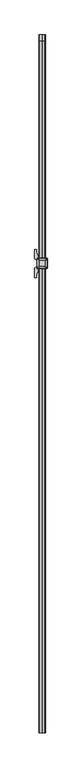
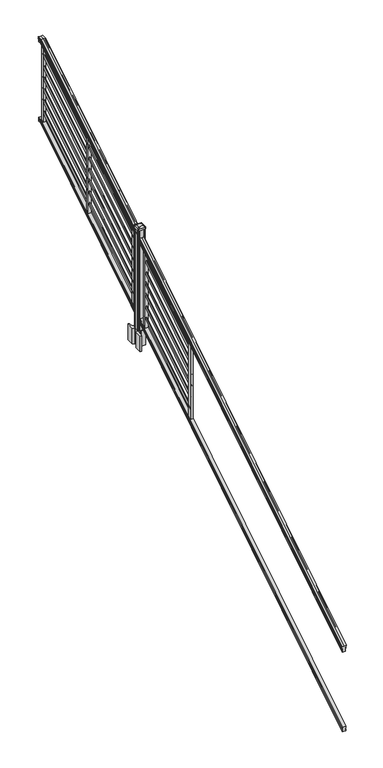
"""IFC4 building model written with IfcOpenShell, lengths in millimetres: railing geometry."""

from ifc_helpers import new_model, si_unit, point, frame, frame_2d, origin, origin_2d, place, context, project, spatial, polyline, circle_curve, ellipse_curve, trimmed, segment, composite_curve, outline, extrude, faceted_brep, source, transform, mapped, element, save
from ifc_brep_helpers import plane_surface, cylinder_surface, revolved_surface, extruded_surface, advanced_brep


def railing_1a496d7f(model_context):
    return source(origin(), model_context, "Body", "SolidModel", [
        advanced_brep(
        [(6977.4704765, -142728.8628453, 1117.9670492), (6977.4704765, -142728.8628453, 1120.1935658), (6978.6006628, -142728.8628453, 1122.0358543), (6978.6006628, -142728.8628453, 1130.5476358), (6977.9514064, -142728.8628453, 1133.4172588), (6980.4514064, -142728.8628453, 1138.5235509), (6981.8607489, -142728.8628453, 1140.5042021), (6982.2626479, -142728.8628453, 1141.8069579), (6982.2626478, -142728.8628453, 1143.3874846), (6980.7092005, -142728.8628453, 1145.2193836), (6960.0376478, -142728.8628453, 1145.2193836), (6939.366095, -142728.8628453, 1145.2193836), (6937.8126478, -142728.8628453, 1143.3874846), (6937.8126478, -142728.8628453, 1141.8069579), (6938.2145467, -142728.8628453, 1140.5042021), (6939.6238891, -142728.8628453, 1138.5235509), (6942.1238891, -142728.8628453, 1133.4172588), (6941.4746327, -142728.8628453, 1130.5476358), (6941.4746327, -142728.8628453, 1122.0358543), (6942.604819, -142728.8628453, 1120.1935658), (6942.604819, -142728.8628453, 1117.9670492), (6945.1786478, -142728.8628453, 1117.9670492), (6945.1786478, -142728.8628453, 1105.585537), (6944.1626478, -142728.8628453, 1104.3874214), (6944.1626478, -142728.8628453, 1089.66), (6975.9126478, -142728.8628453, 1089.66), (6975.9126478, -142728.8628453, 1104.201318), (6974.8966478, -142728.8628453, 1105.3994336), (6974.8966478, -142728.8628453, 1117.9670492), (6977.4704765, -137852.0628453, 4142.6143297), (6974.8966478, -137852.0628453, 4142.6143297), (6974.8966478, -137852.0628453, 4131.957013), (6975.9126478, -137852.0628453, 4130.941013), (6975.9126478, -137852.0628453, 4118.61), (6944.1626478, -137852.0628453, 4118.61), (6944.1626478, -137852.0628453, 4131.0988283), (6945.1786478, -137852.0628453, 4132.1148283), (6945.1786478, -137852.0628453, 4142.6143297), (6942.604819, -137852.0628453, 4142.6143297), (6942.604819, -137852.0628453, 4144.502412), (6941.4746327, -137852.0628453, 4146.0646695), (6941.4746327, -137852.0628453, 4153.2826458), (6942.1238891, -137852.0628453, 4155.7160812), (6939.6238891, -137852.0628453, 4160.0462082), (6938.2145467, -137852.0628453, 4161.7257972), (6937.8126477, -137852.0628453, 4162.8305318), (6937.8126478, -137852.0628453, 4164.1708158), (6939.366095, -137852.0628453, 4165.724263), (6960.0376478, -137852.0628453, 4165.724263), (6980.7092005, -137852.0628453, 4165.724263), (6982.2626478, -137852.0628453, 4164.1708158), (6982.2626478, -137852.0628453, 4162.8305318), (6981.8607489, -137852.0628453, 4161.7257972), (6980.4514064, -137852.0628453, 4160.0462082), (6977.9514064, -137852.0628453, 4155.7160812), (6978.6006628, -137852.0628453, 4153.2826458), (6978.6006628, -137852.0628453, 4146.0646695), (6977.4704765, -137852.0628453, 4144.502412), (6974.8966478, -137889.4271965, 4142.6143297), (6977.4704765, -137889.4271965, 4142.6143297), (6974.8966478, -137886.3707182, 4131.957013), (6975.9126478, -137886.0793333, 4130.941013), (6975.9126478, -137882.5428453, 4118.61), (6944.1626478, -137882.5428453, 4118.61), (6944.1626478, -137886.1245941, 4131.0988283), (6945.1786478, -137886.4159791, 4132.1148283), (6945.1786478, -137889.4271965, 4142.6143297), (6942.604819, -137889.4271965, 4142.6143297), (6942.604819, -137889.9686913, 4144.502412), (6941.4746327, -137890.4167409, 4146.0646695), (6941.4746327, -137892.4868293, 4153.2826458), (6942.1238891, -137893.1847294, 4155.7160812), (6939.6238891, -137894.4265935, 4160.0462082), (6938.2145467, -137894.9082932, 4161.7257972), (6937.8126477, -137895.2251269, 4162.8305318), (6937.8126478, -137895.6095153, 4164.1708158), (6939.366095, -137896.0550381, 4165.724263), (6960.0376478, -137896.0550381, 4165.724263), (6980.7092005, -137896.0550381, 4165.724263), (6982.2626478, -137895.6095153, 4164.1708158), (6982.2626478, -137895.2251269, 4162.8305318), (6981.8607489, -137894.9082932, 4161.7257972), (6980.4514064, -137894.4265935, 4160.0462082), (6977.9514064, -137893.1847294, 4155.7160812), (6978.6006628, -137892.4868293, 4153.2826458), (6978.6006628, -137890.4167409, 4146.0646695), (6977.4704765, -137889.9686913, 4144.502412)],
        [
            (0, 1),
            (1, 2, ellipse_curve(frame((6971.1557232, -142728.8628453, 1126.9839405), z_axis=(0.0, -1.0, 0.0), x_axis=(0.0, 0.0, -1.0)), 10.0777926, 8.545951)),
            (2, 3, ellipse_curve(frame((6971.5927862, -142728.8628453, 1126.2917451), z_axis=(0.0, -1.0, 0.0), x_axis=(0.0, 0.0, -1.0)), 9.2955186, 7.882584)),
            (3, 4, ellipse_curve(frame((6982.1061103, -142728.8628453, 1133.1875077), z_axis=(0.0, 1.0, 0.0), x_axis=(0.0, 0.0, 1.0)), 4.9048088, 4.1592695)),
            (4, 5, ellipse_curve(frame((6983.3934169, -142728.8628453, 1133.1163208), z_axis=(0.0, 1.0, 0.0), x_axis=(0.0, 0.0, 1.0)), 6.4245301, 5.4479907)),
            (5, 6, ellipse_curve(frame((6982.1602584, -142728.8628453, 1138.5202333), z_axis=(0.0, 1.0, 0.0), x_axis=(0.0, 0.0, 1.0)), 2.0151625, 1.7088543)),
            (6, 7, ellipse_curve(frame((6980.5433583, -142728.8628453, 1141.8069579), z_axis=(0.0, -1.0, 0.0), x_axis=(0.0, 0.0, -1.0)), 2.0274681, 1.7192895)),
            (7, 8),
            (8, 9, ellipse_curve(frame((6980.7092005, -142728.8628453, 1143.3874846), z_axis=(0.0, -1.0, 0.0), x_axis=(0.0, 0.0, -1.0)), 1.831899, 1.5534472)),
            (9, 10),
            (10, 11),
            (11, 12, ellipse_curve(frame((6939.366095, -142728.8628453, 1143.3874846), z_axis=(0.0, -1.0, 0.0), x_axis=(0.0, 0.0, -1.0)), 1.831899, 1.5534472)),
            (12, 13),
            (13, 14, ellipse_curve(frame((6939.5319372, -142728.8628453, 1141.8069579), z_axis=(0.0, -1.0, 0.0), x_axis=(0.0, 0.0, -1.0)), 2.0274681, 1.7192895)),
            (14, 15, ellipse_curve(frame((6937.9150371, -142728.8628453, 1138.5202333), z_axis=(0.0, 1.0, 0.0), x_axis=(0.0, 0.0, 1.0)), 2.0151625, 1.7088543)),
            (15, 16, ellipse_curve(frame((6936.6818787, -142728.8628453, 1133.1163208), z_axis=(0.0, 1.0, 0.0), x_axis=(0.0, 0.0, 1.0)), 6.4245301, 5.4479907)),
            (16, 17, ellipse_curve(frame((6937.9691852, -142728.8628453, 1133.1875077), z_axis=(0.0, 1.0, 0.0), x_axis=(0.0, 0.0, 1.0)), 4.9048088, 4.1592695)),
            (17, 18, ellipse_curve(frame((6948.4825093, -142728.8628453, 1126.2917451), z_axis=(0.0, -1.0, 0.0), x_axis=(0.0, 0.0, -1.0)), 9.2955186, 7.882584)),
            (18, 19, ellipse_curve(frame((6948.9195723, -142728.8628453, 1126.9839405), z_axis=(0.0, -1.0, 0.0), x_axis=(0.0, 0.0, -1.0)), 10.0777926, 8.545951)),
            (19, 20),
            (20, 21, ellipse_curve(frame((6943.8917334, -142728.8628453, 1117.9670492), z_axis=(0.0, -1.0, 0.0), x_axis=(0.0, 0.0, -1.0)), 1.5175907, 1.2869144)),
            (21, 22),
            (22, 23),
            (23, 24),
            (24, 25),
            (25, 26),
            (26, 27),
            (27, 28),
            (28, 0, ellipse_curve(frame((6976.1835621, -142728.8628453, 1117.9670492), z_axis=(0.0, -1.0, 0.0), x_axis=(0.0, 0.0, -1.0)), 1.5175907, 1.2869144)),
            (29, 30, circle_curve(frame((6976.1835621, -137852.0628453, 4142.6143297), z_axis=(0.0, 1.0, 0.0), x_axis=(-1.0, 0.0, 0.0)), 1.2869144)),
            (30, 31),
            (31, 32),
            (32, 33),
            (33, 34),
            (34, 35),
            (35, 36),
            (36, 37),
            (37, 38, circle_curve(frame((6943.8917334, -137852.0628453, 4142.6143297), z_axis=(0.0, 1.0, 0.0), x_axis=(1.0, 0.0, 0.0)), 1.2869144)),
            (38, 39),
            (39, 40, circle_curve(frame((6948.9195723, -137852.0628453, 4150.2606383), z_axis=(0.0, 1.0, 0.0), x_axis=(1.0, 0.0, 0.0)), 8.545951)),
            (40, 41, circle_curve(frame((6948.4825093, -137852.0628453, 4149.6736577), z_axis=(0.0, 1.0, 0.0), x_axis=(1.0, 0.0, 0.0)), 7.882584)),
            (41, 42, circle_curve(frame((6937.9691852, -137852.0628453, 4155.5212527), z_axis=(0.0, -1.0, 0.0), x_axis=(1.0, 0.0, 0.0)), 4.1592695)),
            (42, 43, circle_curve(frame((6936.6818787, -137852.0628453, 4155.4608864), z_axis=(0.0, -1.0, 0.0), x_axis=(1.0, 0.0, 0.0)), 5.4479907)),
            (43, 44, circle_curve(frame((6937.9150371, -137852.0628453, 4160.043395), z_axis=(0.0, -1.0, 0.0), x_axis=(1.0, 0.0, 0.0)), 1.7088543)),
            (44, 45, circle_curve(frame((6939.5319372, -137852.0628453, 4162.8305318), z_axis=(0.0, 1.0, 0.0), x_axis=(1.0, 0.0, 0.0)), 1.7192895)),
            (45, 46),
            (46, 47, circle_curve(frame((6939.366095, -137852.0628453, 4164.1708158), z_axis=(0.0, 1.0, 0.0), x_axis=(1.0, 0.0, 0.0)), 1.5534472)),
            (47, 48),
            (48, 49),
            (49, 50, circle_curve(frame((6980.7092005, -137852.0628453, 4164.1708158), z_axis=(0.0, 1.0, 0.0), x_axis=(-1.0, 0.0, 0.0)), 1.5534472)),
            (50, 51),
            (51, 52, circle_curve(frame((6980.5433583, -137852.0628453, 4162.8305318), z_axis=(0.0, 1.0, 0.0), x_axis=(-1.0, 0.0, 0.0)), 1.7192895)),
            (52, 53, circle_curve(frame((6982.1602584, -137852.0628453, 4160.043395), z_axis=(0.0, -1.0, 0.0), x_axis=(-1.0, 0.0, 0.0)), 1.7088543)),
            (53, 54, circle_curve(frame((6983.3934169, -137852.0628453, 4155.4608864), z_axis=(0.0, -1.0, 0.0), x_axis=(-1.0, 0.0, 0.0)), 5.4479907)),
            (54, 55, circle_curve(frame((6982.1061103, -137852.0628453, 4155.5212527), z_axis=(0.0, -1.0, 0.0), x_axis=(-1.0, 0.0, 0.0)), 4.1592695)),
            (55, 56, circle_curve(frame((6971.5927862, -137852.0628453, 4149.6736577), z_axis=(0.0, 1.0, 0.0), x_axis=(-1.0, 0.0, 0.0)), 7.882584)),
            (56, 57, circle_curve(frame((6971.1557232, -137852.0628453, 4150.2606383), z_axis=(0.0, 1.0, 0.0), x_axis=(-1.0, 0.0, 0.0)), 8.545951)),
            (57, 29),
            (28, 58),
            (58, 59, ellipse_curve(frame((6976.1835621, -137889.4271965, 4142.6143297), z_axis=(0.0, -0.9612487461643644, -0.2756825130425167), x_axis=(0.0, 0.2756825130425169, -0.9612487461643643)), 1.3387943, 1.2869144)),
            (59, 0),
            (27, 60),
            (60, 58),
            (26, 61),
            (61, 60),
            (25, 62),
            (62, 61),
            (24, 63),
            (63, 62),
            (23, 64),
            (64, 63),
            (22, 65),
            (65, 64),
            (21, 66),
            (66, 65),
            (20, 67),
            (67, 66, ellipse_curve(frame((6943.8917334, -137889.4271965, 4142.6143297), z_axis=(0.0, -0.9612487461643644, -0.2756825130425167), x_axis=(0.0, 0.2756825130425169, -0.9612487461643643)), 1.3387943, 1.2869144)),
            (19, 68),
            (68, 67),
            (18, 69),
            (69, 68, ellipse_curve(frame((6948.9195723, -137891.6201289, 4150.2606383), z_axis=(0.0, -0.9612487461643644, -0.2756825130425167), x_axis=(0.0, 0.2756825130425169, -0.9612487461643643)), 8.8904678, 8.545951)),
            (17, 70),
            (70, 69, ellipse_curve(frame((6948.4825093, -137891.4517851, 4149.6736577), z_axis=(0.0, -0.9612487461643644, -0.2756825130425167), x_axis=(0.0, 0.2756825130425169, -0.9612487461643643)), 8.2003581, 7.882584)),
            (16, 71),
            (71, 70, ellipse_curve(frame((6937.9691852, -137893.1288533, 4155.5212527), z_axis=(0.0, 0.9612487461643644, 0.2756825130425167), x_axis=(0.0, -0.2756825130425169, 0.9612487461643643)), 4.326944, 4.1592695)),
            (15, 72),
            (72, 71, ellipse_curve(frame((6936.6818787, -137893.1115404, 4155.4608864), z_axis=(0.0, 0.9612487461643644, 0.2756825130425167), x_axis=(0.0, -0.2756825130425169, 0.9612487461643643)), 5.667618, 5.4479907)),
            (14, 73),
            (73, 72, ellipse_curve(frame((6937.9150371, -137894.4257866, 4160.043395), z_axis=(0.0, 0.9612487461643644, 0.2756825130425167), x_axis=(0.0, -0.2756825130425169, 0.9612487461643643)), 1.7777442, 1.7088543)),
            (13, 74),
            (74, 73, ellipse_curve(frame((6939.5319372, -137895.2251269, 4162.8305318), z_axis=(0.0, -0.9612487461643644, -0.2756825130425167), x_axis=(0.0, 0.2756825130425169, -0.9612487461643643)), 1.7886, 1.7192895)),
            (12, 75),
            (75, 74),
            (11, 76),
            (76, 75, ellipse_curve(frame((6939.366095, -137895.6095153, 4164.1708158), z_axis=(0.0, -0.9612487461643644, -0.2756825130425167), x_axis=(0.0, 0.2756825130425169, -0.9612487461643643)), 1.6160721, 1.5534472)),
            (10, 77),
            (77, 76),
            (9, 78),
            (78, 77),
            (8, 79),
            (79, 78, ellipse_curve(frame((6980.7092005, -137895.6095153, 4164.1708158), z_axis=(0.0, -0.9612487461643644, -0.2756825130425167), x_axis=(0.0, 0.2756825130425169, -0.9612487461643643)), 1.6160721, 1.5534472)),
            (7, 80),
            (80, 79),
            (6, 81),
            (81, 80, ellipse_curve(frame((6980.5433583, -137895.2251269, 4162.8305318), z_axis=(0.0, -0.9612487461643644, -0.2756825130425167), x_axis=(0.0, 0.2756825130425169, -0.9612487461643643)), 1.7886, 1.7192895)),
            (5, 82),
            (82, 81, ellipse_curve(frame((6982.1602584, -137894.4257866, 4160.043395), z_axis=(0.0, 0.9612487461643644, 0.2756825130425167), x_axis=(0.0, -0.2756825130425169, 0.9612487461643643)), 1.7777442, 1.7088543)),
            (4, 83),
            (83, 82, ellipse_curve(frame((6983.3934169, -137893.1115404, 4155.4608864), z_axis=(0.0, 0.9612487461643644, 0.2756825130425167), x_axis=(0.0, -0.2756825130425169, 0.9612487461643643)), 5.667618, 5.4479907)),
            (3, 84),
            (84, 83, ellipse_curve(frame((6982.1061103, -137893.1288533, 4155.5212527), z_axis=(0.0, 0.9612487461643644, 0.2756825130425167), x_axis=(0.0, -0.2756825130425169, 0.9612487461643643)), 4.326944, 4.1592695)),
            (2, 85),
            (85, 84, ellipse_curve(frame((6971.5927862, -137891.4517851, 4149.6736577), z_axis=(0.0, -0.9612487461643644, -0.2756825130425167), x_axis=(0.0, 0.2756825130425169, -0.9612487461643643)), 8.2003581, 7.882584)),
            (1, 86),
            (86, 85, ellipse_curve(frame((6971.1557232, -137891.6201289, 4150.2606383), z_axis=(0.0, -0.9612487461643644, -0.2756825130425167), x_axis=(0.0, 0.2756825130425169, -0.9612487461643643)), 8.8904678, 8.545951)),
            (59, 86),
            (58, 30),
            (29, 59),
            (60, 31),
            (61, 32),
            (62, 33),
            (63, 34),
            (64, 35),
            (65, 36),
            (66, 37),
            (67, 38),
            (68, 39),
            (69, 40),
            (70, 41),
            (71, 42),
            (72, 43),
            (73, 44),
            (74, 45),
            (75, 46),
            (76, 47),
            (77, 48),
            (78, 49),
            (79, 50),
            (80, 51),
            (81, 52),
            (82, 53),
            (83, 54),
            (84, 55),
            (85, 56),
            (86, 57),
        ],
        [
            plane_surface(frame((6960.0376478, -142728.8628453, 1089.66), z_axis=(0.0, -1.0, 0.0), x_axis=(0.0, 0.0, 1.0))),
            plane_surface(frame((6960.0376478, -137852.0628453, 4118.61), z_axis=(0.0, 1.0, 0.0), x_axis=(0.0, 0.0, 1.0))),
            cylinder_surface(frame((6976.1835621, -142741.5851146, 1110.0156309), z_axis=(0.0, -0.8479983040051253, -0.5299989400031204), x_axis=(-1.0, 0.0, 0.0)), 1.2869144),
            plane_surface(frame((6974.8966478, -142728.8628453, 1105.3994336), z_axis=(1.0, 0.0, 0.0), x_axis=(0.0, 0.8479983040051258, 0.5299989400031196))),
            plane_surface(frame((6975.9126478, -142728.8628453, 1104.201318), z_axis=(0.707106781186539, -0.37476584449789463, 0.599625351196722), x_axis=(0.0, 0.8479983040051247, 0.5299989400031213))),
            plane_surface(frame((6975.9126478, -142728.8628453, 1089.66), z_axis=(1.0000000000000002, 0.0, 0.0), x_axis=(0.0, 0.8479983040051253, 0.5299989400031204))),
            plane_surface(frame((6944.1626478, -142728.8628453, 1089.66), z_axis=(0.0, 0.5299989400031204, -0.8479983040051252), x_axis=(0.0, 0.8479983040051252, 0.5299989400031204))),
            plane_surface(frame((6944.1626478, -142728.8628453, 1104.3874214), z_axis=(-1.0, 0.0, 0.0), x_axis=(0.0, 0.8479983040051248, 0.5299989400031211))),
            plane_surface(frame((6945.1786478, -142728.8628453, 1105.585537), z_axis=(-0.7071067811865438, -0.37476584449789047, 0.5996253511967189), x_axis=(0.0, 0.8479983040051248, 0.5299989400031213))),
            plane_surface(frame((6945.1786478, -142728.8628453, 1117.9670492), z_axis=(-1.0, 0.0, 0.0), x_axis=(0.0, 0.8479983040051253, 0.5299989400031203))),
            cylinder_surface(frame((6943.8917334, -142741.5851146, 1110.0156309), z_axis=(0.0, -0.8479983040051253, -0.5299989400031204), x_axis=(1.0, 0.0, 0.0)), 1.2869144),
            plane_surface(frame((6942.604819, -142728.8628453, 1120.1935658), z_axis=(-1.0000000000000002, 0.0, 0.0), x_axis=(0.0, 0.8479983040051249, 0.5299989400031211))),
            cylinder_surface(frame((6948.9195723, -142745.63765, 1116.4996876), z_axis=(0.0, -0.8479983040051253, -0.5299989400031204), x_axis=(1.0, 0.0, 0.0)), 8.545951),
            cylinder_surface(frame((6948.4825093, -142745.3265509, 1116.001929), z_axis=(0.0, -0.8479983040051253, -0.5299989400031204), x_axis=(1.0, 0.0, 0.0)), 7.882584),
            revolved_surface(polyline([(6942.1284547, -137892.1173076721, 4156.153468716956), (6942.1284547, -142731.06725374944, 1131.8097524191019)]), (6937.9691852, -142748.4257701, 1120.9606797), (0.0, 0.8479983040051253, 0.5299989400031204)),
            revolved_surface(polyline([(6942.129869400001, -137891.78657425637, 4156.288990189309), (6942.129869400001, -142731.75027455282, 1131.3116775044994)]), (6936.6818787, -142748.393776, 1120.9094891), (0.0, 0.8479983040051253, 0.5299989400031204)),
            revolved_surface(polyline([(6939.6238914, -137894.01018858227, 4160.303143773098), (6939.6238914, -142729.76853632246, 1137.9541764359478)]), (6937.9150371, -142750.8225007, 1124.7954487), (0.0, 0.8479983040051253, 0.5299989400031204)),
            cylinder_surface(frame((6939.5319372, -142752.2996803, 1127.158936), z_axis=(0.0, -0.8479983040051253, -0.5299989400031204), x_axis=(1.0, 0.0, 0.0)), 1.7192895),
            plane_surface(frame((6937.8126478, -142728.8628453, 1143.3874846), z_axis=(-1.0, 0.0, 0.0), x_axis=(0.0, 0.8479983040051248, 0.5299989400031212))),
            cylinder_surface(frame((6939.366095, -142753.0100294, 1128.2954945), z_axis=(0.0, -0.8479983040051253, -0.5299989400031204), x_axis=(1.0, 0.0, 0.0)), 1.5534472),
            plane_surface(frame((6960.0376478, -142728.8628453, 1145.2193836), z_axis=(0.0, -0.5299989400031198, 0.8479983040051257), x_axis=(0.0, 0.8479983040051257, 0.5299989400031198))),
            plane_surface(frame((6980.7092005, -142728.8628453, 1145.2193836), z_axis=(0.0, -0.5299989400031198, 0.8479983040051257), x_axis=(0.0, 0.8479983040051257, 0.5299989400031198))),
            cylinder_surface(frame((6980.7092005, -142753.0100294, 1128.2954945), z_axis=(0.0, -0.8479983040051253, -0.5299989400031204), x_axis=(-1.0, 0.0, 0.0)), 1.5534472),
            plane_surface(frame((6982.2626478, -142728.8628453, 1141.8069579), z_axis=(1.0, 0.0, 0.0), x_axis=(0.0, 0.8479983040051257, 0.5299989400031198))),
            cylinder_surface(frame((6980.5433583, -142752.2996803, 1127.158936), z_axis=(0.0, -0.8479983040051253, -0.5299989400031204), x_axis=(-1.0, 0.0, 0.0)), 1.7192895),
            revolved_surface(polyline([(6980.4514041, -137894.01018858227, 4160.303143773098), (6980.4514041, -142729.76853632246, 1137.9541764359478)]), (6982.1602584, -142750.8225007, 1124.7954487), (0.0, 0.8479983040051253, 0.5299989400031204)),
            revolved_surface(polyline([(6977.9454262, -137891.78657425637, 4156.288990189309), (6977.9454262, -142731.75027455282, 1131.3116775044994)]), (6983.3934169, -142748.393776, 1120.9094891), (0.0, 0.8479983040051253, 0.5299989400031204)),
            revolved_surface(polyline([(6977.9468408, -137892.1173076721, 4156.153468716956), (6977.9468408, -142731.06725374944, 1131.8097524191019)]), (6982.1061103, -142748.4257701, 1120.9606797), (0.0, 0.8479983040051253, 0.5299989400031204)),
            cylinder_surface(frame((6971.5927862, -142745.3265509, 1116.001929), z_axis=(0.0, -0.8479983040051253, -0.5299989400031204), x_axis=(-1.0, 0.0, 0.0)), 7.882584),
            cylinder_surface(frame((6971.1557232, -142745.63765, 1116.4996876), z_axis=(0.0, -0.8479983040051253, -0.5299989400031204), x_axis=(-1.0, 0.0, 0.0)), 8.545951),
            plane_surface(frame((6977.4704765, -142728.8628453, 1117.9670492), z_axis=(1.0, 0.0, 0.0), x_axis=(0.0, 0.8479983040051253, 0.5299989400031203))),
            cylinder_surface(frame((6976.1835621, -137882.5428453, 4142.6143297), z_axis=(0.0, -1.0, 0.0), x_axis=(-1.0, 0.0, 0.0)), 1.2869144),
            plane_surface(frame((6974.8966478, -137886.3707182, 4131.957013), z_axis=(1.0, 0.0, 0.0), x_axis=(0.0, 1.0, 0.0))),
            plane_surface(frame((6975.9126478, -137886.0793333, 4130.941013), z_axis=(0.7071067811865398, 0.0, 0.7071067811865553), x_axis=(0.0, 1.0, 0.0))),
            plane_surface(frame((6975.9126478, -137882.5428453, 4118.61), z_axis=(1.0, 0.0, 0.0), x_axis=(0.0, 1.0, 0.0))),
            plane_surface(frame((6944.1626478, -137882.5428453, 4118.61), z_axis=(0.0, 0.0, -1.0), x_axis=(0.0, 1.0, 0.0))),
            plane_surface(frame((6944.1626478, -137886.1245941, 4131.0988283), z_axis=(-1.0, 0.0, 0.0), x_axis=(0.0, 1.0, 0.0))),
            plane_surface(frame((6945.1786478, -137886.4159791, 4132.1148283), z_axis=(-0.7071067811865428, 0.0, 0.7071067811865523), x_axis=(0.0, 1.0, 0.0))),
            plane_surface(frame((6945.1786478, -137889.4271965, 4142.6143297), z_axis=(-1.0, 0.0, 0.0), x_axis=(0.0, 1.0, 0.0))),
            cylinder_surface(frame((6943.8917334, -137882.5428453, 4142.6143297), z_axis=(0.0, -1.0, 0.0), x_axis=(1.0, 0.0, 0.0)), 1.2869144),
            plane_surface(frame((6942.604819, -137889.9686913, 4144.502412), z_axis=(-1.0, 0.0, 0.0), x_axis=(0.0, 1.0, 0.0))),
            cylinder_surface(frame((6948.9195723, -137882.5428453, 4150.2606383), z_axis=(0.0, -1.0, 0.0), x_axis=(1.0, 0.0, 0.0)), 8.545951),
            cylinder_surface(frame((6948.4825093, -137882.5428453, 4149.6736577), z_axis=(0.0, -1.0, 0.0), x_axis=(1.0, 0.0, 0.0)), 7.882584),
            revolved_surface(polyline([(6942.1284547, -137852.0628453, 4155.5212527), (6942.1284547, -137894.32171609573, 4155.5212527)]), (6937.9691852, -137882.5428453, 4155.5212527), (0.0, 1.0, 0.0)),
            revolved_surface(polyline([(6942.129869400001, -137852.0628453, 4155.4608864), (6942.129869400001, -137894.6740035732, 4155.4608864)]), (6936.6818787, -137882.5428453, 4155.4608864), (0.0, 1.0, 0.0)),
            revolved_surface(polyline([(6939.6238914, -137852.0628453, 4160.043395), (6939.6238914, -137894.9158795886, 4160.043395)]), (6937.9150371, -137882.5428453, 4160.043395), (0.0, 1.0, 0.0)),
            cylinder_surface(frame((6939.5319372, -137882.5428453, 4162.8305318), z_axis=(0.0, -1.0, 0.0), x_axis=(1.0, 0.0, 0.0)), 1.7192895),
            plane_surface(frame((6937.8126478, -137895.6095153, 4164.1708158), z_axis=(-1.0, 0.0, 0.0), x_axis=(0.0, 1.0, 0.0))),
            cylinder_surface(frame((6939.366095, -137882.5428453, 4164.1708158), z_axis=(0.0, -1.0, 0.0), x_axis=(1.0, 0.0, 0.0)), 1.5534472),
            plane_surface(frame((6960.0376478, -137896.0550381, 4165.724263), z_axis=(0.0, 0.0, 1.0), x_axis=(0.0, 1.0, 0.0))),
            plane_surface(frame((6980.7092005, -137896.0550381, 4165.724263), z_axis=(0.0, 0.0, 1.0), x_axis=(0.0, 1.0, 0.0))),
            cylinder_surface(frame((6980.7092005, -137882.5428453, 4164.1708158), z_axis=(0.0, -1.0, 0.0), x_axis=(-1.0, 0.0, 0.0)), 1.5534472),
            plane_surface(frame((6982.2626478, -137895.2251269, 4162.8305318), z_axis=(1.0, 0.0, 0.0), x_axis=(0.0, 1.0, 0.0))),
            cylinder_surface(frame((6980.5433583, -137882.5428453, 4162.8305318), z_axis=(0.0, -1.0, 0.0), x_axis=(-1.0, 0.0, 0.0)), 1.7192895),
            revolved_surface(polyline([(6980.4514041, -137852.0628453, 4160.043395), (6980.4514041, -137894.9158795886, 4160.043395)]), (6982.1602584, -137882.5428453, 4160.043395), (0.0, 1.0, 0.0)),
            revolved_surface(polyline([(6977.9454262, -137852.0628453, 4155.4608864), (6977.9454262, -137894.6740035732, 4155.4608864)]), (6983.3934169, -137882.5428453, 4155.4608864), (0.0, 1.0, 0.0)),
            revolved_surface(polyline([(6977.9468408, -137852.0628453, 4155.5212527), (6977.9468408, -137894.32171609573, 4155.5212527)]), (6982.1061103, -137882.5428453, 4155.5212527), (0.0, 1.0, 0.0)),
            cylinder_surface(frame((6971.5927862, -137882.5428453, 4149.6736577), z_axis=(0.0, -1.0, 0.0), x_axis=(-1.0, 0.0, 0.0)), 7.882584),
            cylinder_surface(frame((6971.1557232, -137882.5428453, 4150.2606383), z_axis=(0.0, -1.0, 0.0), x_axis=(-1.0, 0.0, 0.0)), 8.545951),
            plane_surface(frame((6977.4704765, -137889.4271965, 4142.6143297), z_axis=(1.0, 0.0, 0.0), x_axis=(0.0, 1.0, 0.0))),
        ],
        [
            (0, [[1, 2, 3, 4, 5, 6, 7, 8, 9, 10, 11, 12, 13, 14, 15, 16, 17, 18, 19, 20, 21, 22, 23, 24, 25, 26, 27, 28, 29]]),
            (1, [[30, 31, 32, 33, 34, 35, 36, 37, 38, 39, 40, 41, 42, 43, 44, 45, 46, 47, 48, 49, 50, 51, 52, 53, 54, 55, 56, 57, 58]]),
            (2, [[-29, 59, 60, 61]]),
            (3, [[-28, 62, 63, -59]]),
            (4, [[-27, 64, 65, -62]]),
            (5, [[-26, 66, 67, -64]]),
            (6, [[-25, 68, 69, -66]]),
            (7, [[-24, 70, 71, -68]]),
            (8, [[-23, 72, 73, -70]]),
            (9, [[-22, 74, 75, -72]]),
            (10, [[-21, 76, 77, -74]]),
            (11, [[-20, 78, 79, -76]]),
            (12, [[-19, 80, 81, -78]]),
            (13, [[-18, 82, 83, -80]]),
            (14, [[-17, 84, 85, -82]]),
            (15, [[-16, 86, 87, -84]]),
            (16, [[-15, 88, 89, -86]]),
            (17, [[-14, 90, 91, -88]]),
            (18, [[-13, 92, 93, -90]]),
            (19, [[-12, 94, 95, -92]]),
            (20, [[-11, 96, 97, -94]]),
            (21, [[-10, 98, 99, -96]]),
            (22, [[-9, 100, 101, -98]]),
            (23, [[-8, 102, 103, -100]]),
            (24, [[-7, 104, 105, -102]]),
            (25, [[-6, 106, 107, -104]]),
            (26, [[-5, 108, 109, -106]]),
            (27, [[-4, 110, 111, -108]]),
            (28, [[-3, 112, 113, -110]]),
            (29, [[-2, 114, 115, -112]]),
            (30, [[-1, -61, 116, -114]]),
            (31, [[-60, 117, -30, 118]]),
            (32, [[-63, 119, -31, -117]]),
            (33, [[-65, 120, -32, -119]]),
            (34, [[-67, 121, -33, -120]]),
            (35, [[-69, 122, -34, -121]]),
            (36, [[-71, 123, -35, -122]]),
            (37, [[-73, 124, -36, -123]]),
            (38, [[-75, 125, -37, -124]]),
            (39, [[-77, 126, -38, -125]]),
            (40, [[-79, 127, -39, -126]]),
            (41, [[-81, 128, -40, -127]]),
            (42, [[-83, 129, -41, -128]]),
            (43, [[-85, 130, -42, -129]]),
            (44, [[-87, 131, -43, -130]]),
            (45, [[-89, 132, -44, -131]]),
            (46, [[-91, 133, -45, -132]]),
            (47, [[-93, 134, -46, -133]]),
            (48, [[-95, 135, -47, -134]]),
            (49, [[-97, 136, -48, -135]]),
            (50, [[-99, 137, -49, -136]]),
            (51, [[-101, 138, -50, -137]]),
            (52, [[-103, 139, -51, -138]]),
            (53, [[-105, 140, -52, -139]]),
            (54, [[-107, 141, -53, -140]]),
            (55, [[-109, 142, -54, -141]]),
            (56, [[-111, 143, -55, -142]]),
            (57, [[-113, 144, -56, -143]]),
            (58, [[-115, 145, -57, -144]]),
            (59, [[-116, -118, -58, -145]]),
        ],
    ),
        faceted_brep([(6975.9501347, -142728.8628453, 325.4465079), (6974.9341347, -142728.8628453, 326.980026), (6974.9341347, -142728.8628453, 339.1965048), (6975.9501347, -142728.8628453, 340.7864579), (6975.9501347, -142728.8628453, 355.5664744), (6944.2001347, -142728.8628453, 355.5664744), (6944.2001347, -142728.8628453, 340.7668272), (6945.2161347, -142728.8628453, 339.1768741), (6945.2161347, -142728.8628453, 327.0168303), (6944.2001347, -142728.8628453, 325.4268772), (6944.2001347, -142728.8628453, 310.642), (6975.9501347, -142728.8628453, 310.642), (6975.9501347, -137852.0628453, 3352.1461976), (6975.9501347, -137852.0628453, 3339.592), (6944.2001347, -137852.0628453, 3339.592), (6944.2001347, -137852.0628453, 3352.1295508), (6945.2161347, -137852.0628453, 3353.4778283), (6945.2161347, -137852.0628453, 3363.7895248), (6944.2001347, -137852.0628453, 3365.1378024), (6944.2001347, -137852.0628453, 3377.6878781), (6975.9501347, -137852.0628453, 3377.6878781), (6975.9501347, -137852.0628453, 3365.1544492), (6974.9341347, -137852.0628453, 3363.8061717), (6974.9341347, -137852.0628453, 3353.4466183), (6975.9501347, -137882.5428453, 3339.592), (6975.9501347, -137886.1433418, 3352.1461976), (6944.2001347, -137882.5428453, 3339.592), (6944.2001347, -137886.1385675, 3352.1295508), (6945.2161347, -137886.5252485, 3353.4778283), (6945.2161347, -137889.4826041, 3363.7895248), (6944.2001347, -137889.869285, 3365.1378024), (6944.2001347, -137893.4685994, 3377.6878781), (6975.9501347, -137893.4685994, 3377.6878781), (6975.9501347, -137889.8740593, 3365.1544492), (6974.9341347, -137889.4873783, 3363.8061717), (6974.9341347, -137886.5162975, 3353.4466183)], [[[0, 1, 2, 3, 4, 5, 6, 7, 8, 9, 10, 11]], [[12, 13, 14, 15, 16, 17, 18, 19, 20, 21, 22, 23]], [[0, 11, 24, 25]], [[11, 10, 26, 24]], [[10, 9, 27, 26]], [[9, 8, 28, 27]], [[8, 7, 29, 28]], [[7, 6, 30, 29]], [[6, 5, 31, 30]], [[5, 4, 32, 31]], [[4, 3, 33, 32]], [[3, 2, 34, 33]], [[2, 1, 35, 34]], [[1, 0, 25, 35]], [[25, 24, 13, 12]], [[24, 26, 14, 13]], [[26, 27, 15, 14]], [[27, 28, 16, 15]], [[28, 29, 17, 16]], [[29, 30, 18, 17]], [[30, 31, 19, 18]], [[31, 32, 20, 19]], [[32, 33, 21, 20]], [[33, 34, 22, 21]], [[34, 35, 23, 22]], [[35, 25, 12, 23]]]),
        extrude(outline(polyline([(-137890.1628453, 3372.9253781), (-137915.5628453, 3357.0503781), (-137915.5628453, 4097.9725), (-137890.1628453, 4113.8475), (-137890.1628453, 3372.9253781)])), frame((6947.3376478, 0.0, 0.0), z_axis=(1.0, 0.0, 0.0), x_axis=(0.0, 1.0, 0.0)), (0.0, 0.0, 1.0), 25.4),
        extrude(outline(composite_curve([segment(trimmed(circle_curve(origin_2d(), 8.001), [point((0.0, 8.001))], [point((0.0, -8.001))], False, "CARTESIAN"), True, "CONTINUOUS"), segment(trimmed(circle_curve(origin_2d(), 8.001), [point((0.0, -8.001))], [point((0.0, 8.001))], False, "CARTESIAN"), True, "CONTINUOUS")], self_intersect=False)), frame((6959.7274858, -138634.3828453, 3008.8696159), z_axis=(0.0, 0.8479983040051254, 0.5299989400031201), x_axis=(1.0, 0.0, 0.0)), (0.0, 0.0, 1.0), 868.6338127),
        extrude(outline(composite_curve([segment(trimmed(circle_curve(origin_2d(), 8.001), [point((0.0, 8.001))], [point((0.0, -8.001))], False, "CARTESIAN"), True, "CONTINUOUS"), segment(trimmed(circle_curve(origin_2d(), 8.001), [point((0.0, -8.001))], [point((0.0, 8.001))], False, "CARTESIAN"), True, "CONTINUOUS")], self_intersect=False)), frame((6959.7274858, -138634.3828453, 3120.0595274), z_axis=(0.0, 0.8479983040051253, 0.5299989400031203), x_axis=(1.0, 0.0, 0.0)), (0.0, 0.0, 1.0), 868.6338127),
        extrude(outline(composite_curve([segment(trimmed(circle_curve(origin_2d(), 8.001), [point((0.0, 8.001))], [point((0.0, -8.001))], False, "CARTESIAN"), True, "CONTINUOUS"), segment(trimmed(circle_curve(origin_2d(), 8.001), [point((0.0, -8.001))], [point((0.0, 8.001))], False, "CARTESIAN"), True, "CONTINUOUS")], self_intersect=False)), frame((6959.7274858, -138634.3828453, 3231.249439), z_axis=(0.0, 0.8479983040051253, 0.5299989400031203), x_axis=(1.0, 0.0, 0.0)), (0.0, 0.0, 1.0), 868.6338127),
        extrude(outline(composite_curve([segment(trimmed(circle_curve(origin_2d(), 8.001), [point((0.0, 8.001))], [point((0.0, -8.001))], False, "CARTESIAN"), True, "CONTINUOUS"), segment(trimmed(circle_curve(origin_2d(), 8.001), [point((0.0, -8.001))], [point((0.0, 8.001))], False, "CARTESIAN"), True, "CONTINUOUS")], self_intersect=False)), frame((6959.7274858, -138634.3828453, 3342.4393506), z_axis=(0.0, 0.8479983040051253, 0.5299989400031203), x_axis=(1.0, 0.0, 0.0)), (0.0, 0.0, 1.0), 868.6338127),
        extrude(outline(composite_curve([segment(trimmed(circle_curve(origin_2d(), 8.001), [point((0.0, 8.001))], [point((0.0, -8.001))], False, "CARTESIAN"), True, "CONTINUOUS"), segment(trimmed(circle_curve(origin_2d(), 8.001), [point((0.0, -8.001))], [point((0.0, 8.001))], False, "CARTESIAN"), True, "CONTINUOUS")], self_intersect=False)), frame((6959.7274858, -138634.3828453, 3453.6292622), z_axis=(0.0, 0.8479983040051254, 0.5299989400031202), x_axis=(1.0, 0.0, 0.0)), (0.0, 0.0, 1.0), 868.6338127),
        extrude(outline(composite_curve([segment(trimmed(circle_curve(origin_2d(), 8.001), [point((0.0, 8.001))], [point((0.0, -8.001))], False, "CARTESIAN"), True, "CONTINUOUS"), segment(trimmed(circle_curve(origin_2d(), 8.001), [point((0.0, -8.001))], [point((0.0, 8.001))], False, "CARTESIAN"), True, "CONTINUOUS")], self_intersect=False)), frame((6959.7274858, -138634.3828453, 3564.8191737), z_axis=(0.0, 0.8479983040051253, 0.5299989400031202), x_axis=(1.0, 0.0, 0.0)), (0.0, 0.0, 1.0), 868.6338127),
        extrude(outline(polyline([(-138616.6028453, 2918.9003781), (-138642.0028453, 2903.0253781), (-138642.0028453, 3643.9475), (-138616.6028453, 3659.8225), (-138616.6028453, 2918.9003781)])), frame((6947.3376478, 0.0, 0.0), z_axis=(1.0, 0.0, 0.0), x_axis=(0.0, 1.0, 0.0)), (0.0, 0.0, 1.0), 25.4),
        extrude(outline(composite_curve([segment(trimmed(circle_curve(origin_2d(), 8.001), [point((0.0, 8.001))], [point((0.0, -8.001))], False, "CARTESIAN"), True, "CONTINUOUS"), segment(trimmed(circle_curve(origin_2d(), 8.001), [point((0.0, -8.001))], [point((0.0, 8.001))], False, "CARTESIAN"), True, "CONTINUOUS")], self_intersect=False)), frame((6959.7274858, -139360.8228453, 2554.8446159), z_axis=(0.0, 0.8479983040051254, 0.5299989400031201), x_axis=(1.0, 0.0, 0.0)), (0.0, 0.0, 1.0), 868.6338127),
        extrude(outline(composite_curve([segment(trimmed(circle_curve(origin_2d(), 8.001), [point((0.0, 8.001))], [point((0.0, -8.001))], False, "CARTESIAN"), True, "CONTINUOUS"), segment(trimmed(circle_curve(origin_2d(), 8.001), [point((0.0, -8.001))], [point((0.0, 8.001))], False, "CARTESIAN"), True, "CONTINUOUS")], self_intersect=False)), frame((6959.7274858, -139360.8228453, 2666.0345274), z_axis=(0.0, 0.8479983040051253, 0.5299989400031203), x_axis=(1.0, 0.0, 0.0)), (0.0, 0.0, 1.0), 868.6338127),
        extrude(outline(composite_curve([segment(trimmed(circle_curve(origin_2d(), 8.001), [point((0.0, 8.001))], [point((0.0, -8.001))], False, "CARTESIAN"), True, "CONTINUOUS"), segment(trimmed(circle_curve(origin_2d(), 8.001), [point((0.0, -8.001))], [point((0.0, 8.001))], False, "CARTESIAN"), True, "CONTINUOUS")], self_intersect=False)), frame((6959.7274858, -139360.8228453, 2777.224439), z_axis=(0.0, 0.8479983040051253, 0.5299989400031203), x_axis=(1.0, 0.0, 0.0)), (0.0, 0.0, 1.0), 868.6338127),
        extrude(outline(composite_curve([segment(trimmed(circle_curve(origin_2d(), 8.001), [point((0.0, 8.001))], [point((0.0, -8.001))], False, "CARTESIAN"), True, "CONTINUOUS"), segment(trimmed(circle_curve(origin_2d(), 8.001), [point((0.0, -8.001))], [point((0.0, 8.001))], False, "CARTESIAN"), True, "CONTINUOUS")], self_intersect=False)), frame((6959.7274858, -139360.8228453, 2888.4143506), z_axis=(0.0, 0.8479983040051253, 0.5299989400031203), x_axis=(1.0, 0.0, 0.0)), (0.0, 0.0, 1.0), 868.6338127),
        extrude(outline(composite_curve([segment(trimmed(circle_curve(origin_2d(), 8.001), [point((0.0, 8.001))], [point((0.0, -8.001))], False, "CARTESIAN"), True, "CONTINUOUS"), segment(trimmed(circle_curve(origin_2d(), 8.001), [point((0.0, -8.001))], [point((0.0, 8.001))], False, "CARTESIAN"), True, "CONTINUOUS")], self_intersect=False)), frame((6959.7274858, -139360.8228453, 2999.6042622), z_axis=(0.0, 0.8479983040051254, 0.5299989400031202), x_axis=(1.0, 0.0, 0.0)), (0.0, 0.0, 1.0), 868.6338127),
        extrude(outline(composite_curve([segment(trimmed(circle_curve(origin_2d(), 8.001), [point((0.0, 8.001))], [point((0.0, -8.001))], False, "CARTESIAN"), True, "CONTINUOUS"), segment(trimmed(circle_curve(origin_2d(), 8.001), [point((0.0, -8.001))], [point((0.0, 8.001))], False, "CARTESIAN"), True, "CONTINUOUS")], self_intersect=False)), frame((6959.7274858, -139360.8228453, 3110.7941737), z_axis=(0.0, 0.8479983040051253, 0.5299989400031202), x_axis=(1.0, 0.0, 0.0)), (0.0, 0.0, 1.0), 868.6338127),
        extrude(outline(polyline([(-139343.0428453, 2464.8753781), (-139368.4428453, 2449.0003781), (-139368.4428453, 3189.9225), (-139343.0428453, 3205.7975), (-139343.0428453, 2464.8753781)])), frame((6947.3376478, 0.0, 0.0), z_axis=(1.0, 0.0, 0.0), x_axis=(0.0, 1.0, 0.0)), (0.0, 0.0, 1.0), 25.4),
        extrude(outline(composite_curve([segment(polyline([(6993.0893978, -139466.3469401), (6994.6768978, -139467.1089401), (6994.6768978, -139480.6398682), (6991.4626707, -139483.8540953), (6939.7819999, -139483.8540953), (6939.7819999, -139484.7748453), (6944.1323311, -139484.7748453), (6944.1323311, -139486.2291), (6939.0478014, -139486.2291), (6939.0478014, -139487.5131238), (6946.8385135, -139487.5131238)]), True, "CONTINUOUS"), segment(trimmed(circle_curve(frame_2d((6946.8385135, -139504.2563337)), 16.7432099), [point((6946.8385135, -139487.5131238))], [point((6930.2163912, -139502.246327))], True, "CARTESIAN"), True, "CONTINUOUS"), segment(polyline([(6930.2163912, -139502.246327), (6922.5009469, -139519.2816654)]), True, "CONTINUOUS"), segment(trimmed(circle_curve(frame_2d((6967.6017103, -139535.5537151)), 47.9464123), [point((6922.5009469, -139519.2816654))], [point((6919.655298, -139535.5537151))], True, "CARTESIAN"), True, "CONTINUOUS"), segment(polyline([(6919.655298, -139535.5537151), (6919.655298, -139547.5624547), (6907.4517103, -139547.5624547), (6907.4517103, -139482.2665953), (6925.3983978, -139470.690179), (6925.3983978, -139467.1089401), (6926.9858978, -139466.3469401), (6926.9858978, -139432.0827504), (6925.3983978, -139431.3207504), (6925.3983978, -139427.7395116), (6907.4517103, -139416.1630953), (6907.4517103, -139350.8672359), (6919.655298, -139350.8672359), (6919.655298, -139362.8759755)]), True, "CONTINUOUS"), segment(trimmed(circle_curve(frame_2d((6967.6017103, -139362.8759755)), 47.9464123), [point((6919.655298, -139362.8759755))], [point((6922.5009469, -139379.1480251))], True, "CARTESIAN"), True, "CONTINUOUS"), segment(polyline([(6922.5009469, -139379.1480251), (6930.2163912, -139396.1833636)]), True, "CONTINUOUS"), segment(trimmed(circle_curve(frame_2d((6946.8385135, -139394.1733569)), 16.7432099), [point((6930.2163912, -139396.1833636))], [point((6946.8385135, -139410.9165668))], True, "CARTESIAN"), True, "CONTINUOUS"), segment(polyline([(6946.8385135, -139410.9165668), (6948.5057858, -139410.9165668), (6948.5057858, -139412.2005906), (6944.1323311, -139412.2005906), (6944.1323311, -139413.6548453), (6939.7819999, -139413.6548453), (6939.7819999, -139414.5755953), (6991.4626707, -139414.5755953), (6994.6768978, -139417.7898224), (6994.6768978, -139431.3207504), (6993.0893978, -139432.0827504), (6993.0893978, -139466.3469401)]), True, "CONTINUOUS")], self_intersect=False), holes=[polyline([(6928.2876478, -139419.0523453), (6928.2876478, -139479.3773453), (6929.8751478, -139480.9648453), (6957.2744304, -139480.9648453), (6990.2001478, -139480.9648453), (6991.7876478, -139479.3773453), (6991.7876478, -139419.0523453), (6990.2001478, -139417.4648453), (6957.2744304, -139417.4648453), (6929.8751478, -139417.4648453), (6928.2876478, -139419.0523453)])]), frame((0.0, 0.0, 2119.63), z_axis=(0.0, 0.0, 1.0), x_axis=(1.0, 0.0, 0.0)), (0.0, 0.0, 1.0), 152.4),
        advanced_brep(
        [(6944.1626478, -139468.2648453, 3284.979263), (6975.9126478, -139468.2648453, 3284.979263), (6979.0876478, -139465.0898453, 3284.979263), (6979.0876478, -139433.3398453, 3284.979263), (6975.9126478, -139430.1648453, 3284.979263), (6944.1626478, -139430.1648453, 3284.979263), (6940.9876478, -139433.3398453, 3284.979263), (6940.9876478, -139465.0898453, 3284.979263), (6927.6526478, -139484.7748453, 3273.676263), (6924.4776478, -139481.5998453, 3273.676263), (6924.4776478, -139416.8298453, 3273.676263), (6927.6526478, -139413.6548453, 3273.676263), (6992.4226478, -139413.6548453, 3273.676263), (6995.5976478, -139416.8298453, 3273.676263), (6995.5976478, -139481.5998453, 3273.676263), (6992.4226478, -139484.7748453, 3273.676263)],
        [
            (0, 1),
            (1, 2, circle_curve(frame((6975.9126478, -139465.0898453, 3284.979263), z_axis=(0.0, 0.0, 1.0), x_axis=(0.0, 1.0, 0.0)), 3.175)),
            (2, 3),
            (3, 4, circle_curve(frame((6975.9126478, -139433.3398453, 3284.979263), z_axis=(0.0, 0.0, 1.0), x_axis=(0.0, 1.0, 0.0)), 3.175)),
            (4, 5),
            (5, 6, circle_curve(frame((6944.1626478, -139433.3398453, 3284.979263), z_axis=(0.0, 0.0, 1.0), x_axis=(0.0, 1.0, 0.0)), 3.175)),
            (6, 7),
            (7, 0, circle_curve(frame((6944.1626478, -139465.0898453, 3284.979263), z_axis=(0.0, 0.0, 1.0), x_axis=(0.0, 1.0, 0.0)), 3.175)),
            (8, 9, circle_curve(frame((6927.6526478, -139481.5998453, 3273.676263), z_axis=(0.0, 0.0, -1.0), x_axis=(0.0, 1.0, 0.0)), 3.175)),
            (9, 10),
            (10, 11, circle_curve(frame((6927.6526478, -139416.8298453, 3273.676263), z_axis=(0.0, 0.0, -1.0), x_axis=(0.0, 1.0, 0.0)), 3.175)),
            (11, 12),
            (12, 13, circle_curve(frame((6992.4226478, -139416.8298453, 3273.676263), z_axis=(0.0, 0.0, -1.0), x_axis=(0.0, 1.0, 0.0)), 3.175)),
            (13, 14),
            (14, 15, circle_curve(frame((6992.4226478, -139481.5998453, 3273.676263), z_axis=(0.0, 0.0, -1.0), x_axis=(0.0, 1.0, 0.0)), 3.175)),
            (15, 8),
            (8, 0),
            (7, 9),
            (6, 10),
            (5, 11),
            (4, 12),
            (3, 13),
            (2, 14),
            (1, 15),
        ],
        [
            plane_surface(frame((6960.0376478, -139449.2148453, 3284.979263), z_axis=(0.0, 0.0, 1.0), x_axis=(-1.0, 0.0, 0.0))),
            plane_surface(frame((6960.0376478, -139449.2148453, 3273.676263), z_axis=(0.0, 0.0, -1.0), x_axis=(-1.0, 0.0, 0.0))),
            extruded_surface(trimmed(circle_curve(frame((6944.1626478, -139465.0898453, 3284.979263), z_axis=(0.0, 0.0, -1.0), x_axis=(0.0, 1.0, 0.0)), 3.175), [point((6944.1626478, -139468.2648453, 3284.979263))], [point((6940.9876478, -139465.0898453, 3284.979263))], True, "CARTESIAN"), (-16.51000000000022, -16.50999999998021, -11.303000000000338), 25.940663233606063),
            plane_surface(frame((6924.4776478, -139449.2148453, 3273.676263), z_axis=(-0.5649114395471265, 0.0, 0.8251515409116033), x_axis=(0.0, 1.0, 0.0))),
            extruded_surface(trimmed(circle_curve(frame((6944.1626478, -139433.3398453, 3284.979263), z_axis=(0.0, 0.0, -1.0), x_axis=(0.0, 1.0, 0.0)), 3.175), [point((6940.9876478, -139433.3398453, 3284.979263))], [point((6944.1626478, -139430.1648453, 3284.979263))], True, "CARTESIAN"), (-16.51000000000022, 16.510000000009313, -11.303000000000338), 25.940663233624587),
            plane_surface(frame((6960.0376478, -139413.6548453, 3273.676263), z_axis=(0.0, 0.564911439547091, 0.8251515409116277), x_axis=(1.0, 0.0, 0.0))),
            extruded_surface(trimmed(circle_curve(frame((6975.9126478, -139433.3398453, 3284.979263), z_axis=(0.0, 0.0, -1.0), x_axis=(0.0, 1.0, 0.0)), 3.175), [point((6975.9126478, -139430.1648453, 3284.979263))], [point((6979.0876478, -139433.3398453, 3284.979263))], True, "CARTESIAN"), (16.51000000000022, 16.510000000009313, -11.303000000000338), 25.940663233624587),
            plane_surface(frame((6995.5976478, -139449.2148453, 3273.676263), z_axis=(0.5649114395470569, 0.0, 0.825151540911651), x_axis=(0.0, -1.0, 0.0))),
            extruded_surface(trimmed(circle_curve(frame((6975.9126478, -139465.0898453, 3284.979263), z_axis=(0.0, 0.0, -1.0), x_axis=(0.0, 1.0, 0.0)), 3.175), [point((6979.0876478, -139465.0898453, 3284.979263))], [point((6975.9126478, -139468.2648453, 3284.979263))], True, "CARTESIAN"), (16.51000000000022, -16.50999999998021, -11.303000000000338), 25.940663233606063),
            plane_surface(frame((6960.0376478, -139484.7748453, 3273.676263), z_axis=(0.0, -0.5649114395471048, 0.8251515409116182), x_axis=(-1.0, 0.0, 0.0))),
        ],
        [
            (0, [[1, 2, 3, 4, 5, 6, 7, 8]]),
            (1, [[9, 10, 11, 12, 13, 14, 15, 16]]),
            (2, [[17, -8, 18, -9]]),
            (3, [[-18, -7, 19, -10]]),
            (4, [[-19, -6, 20, -11]]),
            (5, [[-20, -5, 21, -12]]),
            (6, [[-21, -4, 22, -13]]),
            (7, [[-22, -3, 23, -14]]),
            (8, [[-23, -2, 24, -15]]),
            (9, [[-24, -1, -17, -16]]),
        ],
    ),
        extrude(outline(composite_curve([segment(trimmed(circle_curve(frame_2d((6927.6526478, -139481.5998453)), 3.175), [point((6927.6526478, -139484.7748453))], [point((6924.4776478, -139481.5998453))], False, "CARTESIAN"), True, "CONTINUOUS"), segment(polyline([(6924.4776478, -139481.5998453), (6924.4776478, -139416.8298453)]), True, "CONTINUOUS"), segment(trimmed(circle_curve(frame_2d((6927.6526478, -139416.8298453)), 3.175), [point((6924.4776478, -139416.8298453))], [point((6927.6526478, -139413.6548453))], False, "CARTESIAN"), True, "CONTINUOUS"), segment(polyline([(6927.6526478, -139413.6548453), (6992.4226478, -139413.6548453)]), True, "CONTINUOUS"), segment(trimmed(circle_curve(frame_2d((6992.4226478, -139416.8298453)), 3.175), [point((6992.4226478, -139413.6548453))], [point((6995.5976478, -139416.8298453))], False, "CARTESIAN"), True, "CONTINUOUS"), segment(polyline([(6995.5976478, -139416.8298453), (6995.5976478, -139481.5998453)]), True, "CONTINUOUS"), segment(trimmed(circle_curve(frame_2d((6992.4226478, -139481.5998453)), 3.175), [point((6995.5976478, -139481.5998453))], [point((6992.4226478, -139484.7748453))], False, "CARTESIAN"), True, "CONTINUOUS"), segment(polyline([(6992.4226478, -139484.7748453), (6927.6526478, -139484.7748453)]), True, "CONTINUOUS")], self_intersect=False)), frame((0.0, 0.0, 3256.404263), z_axis=(0.0, 0.0, 1.0), x_axis=(1.0, 0.0, 0.0)), (0.0, 0.0, 1.0), 17.272),
        extrude(outline(polyline([(6929.8751478, -139480.9648453), (6928.2876478, -139479.3773453), (6928.2876478, -139469.0268453), (6929.8751478, -139468.2648453), (6929.8751478, -139430.1648453), (6928.2876478, -139429.4028453), (6928.2876478, -139419.0523453), (6929.8751478, -139417.4648453), (6940.2256478, -139417.4648453), (6940.9876478, -139419.0523453), (6979.0876478, -139419.0523453), (6979.8496478, -139417.4648453), (6990.2001478, -139417.4648453), (6991.7876478, -139419.0523453), (6991.7876478, -139429.4028453), (6990.2001478, -139430.1648453), (6990.2001478, -139468.2648453), (6991.7876478, -139469.0268453), (6991.7876478, -139479.3773453), (6990.2001478, -139480.9648453), (6979.8496478, -139480.9648453), (6979.0876478, -139479.3773453), (6940.9876478, -139479.3773453), (6940.2256478, -139480.9648453), (6929.8751478, -139480.9648453)])), frame((0.0, 0.0, 2272.03), z_axis=(0.0, 0.0, 1.0), x_axis=(1.0, 0.0, 0.0)), (0.0, 0.0, 1.0), 984.374263),
        extrude(outline(polyline([(-139529.9868453, 2348.0353781), (-139555.3868453, 2332.1603781), (-139555.3868453, 3073.0825), (-139529.9868453, 3088.9575), (-139529.9868453, 2348.0353781)])), frame((6947.3376478, 0.0, 0.0), z_axis=(1.0, 0.0, 0.0), x_axis=(0.0, 1.0, 0.0)), (0.0, 0.0, 1.0), 25.4),
        extrude(outline(composite_curve([segment(trimmed(circle_curve(origin_2d(), 8.001), [point((0.0, 8.001))], [point((0.0, -8.001))], False, "CARTESIAN"), True, "CONTINUOUS"), segment(trimmed(circle_curve(origin_2d(), 8.001), [point((0.0, -8.001))], [point((0.0, 8.001))], False, "CARTESIAN"), True, "CONTINUOUS")], self_intersect=False)), frame((6959.7274858, -140274.2068453, 1983.9796159), z_axis=(0.0, 0.8479983040051254, 0.5299989400031201), x_axis=(1.0, 0.0, 0.0)), (0.0, 0.0, 1.0), 868.6338127),
        extrude(outline(composite_curve([segment(trimmed(circle_curve(origin_2d(), 8.001), [point((0.0, 8.001))], [point((0.0, -8.001))], False, "CARTESIAN"), True, "CONTINUOUS"), segment(trimmed(circle_curve(origin_2d(), 8.001), [point((0.0, -8.001))], [point((0.0, 8.001))], False, "CARTESIAN"), True, "CONTINUOUS")], self_intersect=False)), frame((6959.7274858, -140274.2068453, 2095.1695274), z_axis=(0.0, 0.8479983040051253, 0.5299989400031203), x_axis=(1.0, 0.0, 0.0)), (0.0, 0.0, 1.0), 868.6338127),
        extrude(outline(composite_curve([segment(trimmed(circle_curve(origin_2d(), 8.001), [point((0.0, 8.001))], [point((0.0, -8.001))], False, "CARTESIAN"), True, "CONTINUOUS"), segment(trimmed(circle_curve(origin_2d(), 8.001), [point((0.0, -8.001))], [point((0.0, 8.001))], False, "CARTESIAN"), True, "CONTINUOUS")], self_intersect=False)), frame((6959.7274858, -140274.2068453, 2206.359439), z_axis=(0.0, 0.8479983040051253, 0.5299989400031203), x_axis=(1.0, 0.0, 0.0)), (0.0, 0.0, 1.0), 868.6338127),
        extrude(outline(composite_curve([segment(trimmed(circle_curve(origin_2d(), 8.001), [point((0.0, 8.001))], [point((0.0, -8.001))], False, "CARTESIAN"), True, "CONTINUOUS"), segment(trimmed(circle_curve(origin_2d(), 8.001), [point((0.0, -8.001))], [point((0.0, 8.001))], False, "CARTESIAN"), True, "CONTINUOUS")], self_intersect=False)), frame((6959.7274858, -140274.2068453, 2317.5493506), z_axis=(0.0, 0.8479983040051253, 0.5299989400031203), x_axis=(1.0, 0.0, 0.0)), (0.0, 0.0, 1.0), 868.6338127),
        extrude(outline(composite_curve([segment(trimmed(circle_curve(origin_2d(), 8.001), [point((0.0, 8.001))], [point((0.0, -8.001))], False, "CARTESIAN"), True, "CONTINUOUS"), segment(trimmed(circle_curve(origin_2d(), 8.001), [point((0.0, -8.001))], [point((0.0, 8.001))], False, "CARTESIAN"), True, "CONTINUOUS")], self_intersect=False)), frame((6959.7274858, -140274.2068453, 2428.7392622), z_axis=(0.0, 0.8479983040051254, 0.5299989400031202), x_axis=(1.0, 0.0, 0.0)), (0.0, 0.0, 1.0), 868.6338127),
        extrude(outline(composite_curve([segment(trimmed(circle_curve(origin_2d(), 8.001), [point((0.0, 8.001))], [point((0.0, -8.001))], False, "CARTESIAN"), True, "CONTINUOUS"), segment(trimmed(circle_curve(origin_2d(), 8.001), [point((0.0, -8.001))], [point((0.0, 8.001))], False, "CARTESIAN"), True, "CONTINUOUS")], self_intersect=False)), frame((6959.7274858, -140274.2068453, 2539.9291737), z_axis=(0.0, 0.8479983040051253, 0.5299989400031202), x_axis=(1.0, 0.0, 0.0)), (0.0, 0.0, 1.0), 868.6338127),
        extrude(outline(polyline([(-140256.4268453, 1894.0103781), (-140281.8268453, 1878.1353781), (-140281.8268453, 2619.0575), (-140256.4268453, 2634.9325), (-140256.4268453, 1894.0103781)])), frame((6947.3376478, 0.0, 0.0), z_axis=(1.0, 0.0, 0.0), x_axis=(0.0, 1.0, 0.0)), (0.0, 0.0, 1.0), 25.4),
    ])


if __name__ == "__main__":
    model = new_model("IFC4")
    model_context = context("Model", 3, world=origin())
    ifc_project = project(units=[si_unit("LENGTHUNIT", "METRE", prefix="MILLI")], contexts=[model_context])
    site = spatial("IfcSite", under=ifc_project)
    building = spatial("IfcBuilding", under=site)
    placement = place(None, origin())
    railing_shape = railing_1a496d7f(model_context)
    element("IfcRailing", 1, at=placement, inside=building, context=model_context, shape_type="MappedRepresentation", body=[
        mapped(railing_shape, transform((0.0, 0.0, 0.0), x_axis=(1.0, 0.0, 0.0), y_axis=(0.0, 1.0, 0.0), z_axis=(0.0, 0.0, 1.0))),
    ])
    save(model, "model.ifc")
